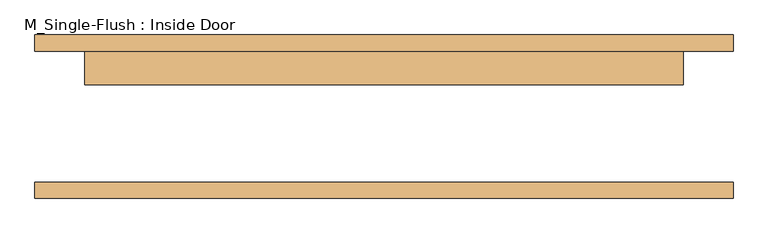
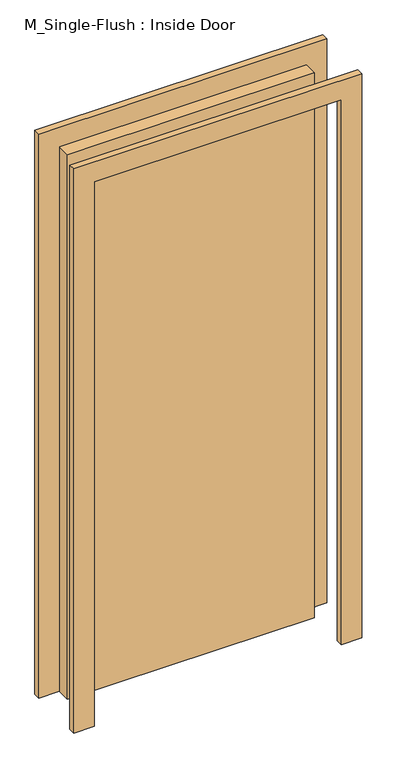
"""IFC4 building model written with IfcOpenShell, lengths in millimetres: door geometry, M_Single-Flush : Inside Door."""

from ifc_helpers import new_model, si_unit, frame, origin, origin_with_axes, place, context, project, spatial, polyline, outline, extrude, source, transform, mapped, element, save


def m_single_flush_inside_door_6a9e8738(model_context):
    return source(origin(), model_context, "Body", "SweptSolid", [
        extrude(outline(polyline([(2210.0, -533.5), (0.0, -533.5), (0.0, -457.5), (2134.0, -457.5), (2134.0, 457.5), (0.0, 457.5), (0.0, 533.5), (2210.0, 533.5), (2210.0, -533.5)])), frame((0.0, 100.0, 0.0), z_axis=(0.0, 1.0, 0.0), x_axis=(0.0, 0.0, 1.0)), (0.0, 0.0, 1.0), 25.0),
        extrude(outline(polyline([(2210.0, 533.5), (2210.0, -533.5), (0.0, -533.5), (0.0, -457.5), (2134.0, -457.5), (2134.0, 457.5), (0.0, 457.5), (0.0, 533.5), (2210.0, 533.5)])), frame((0.0, -125.0, 0.0), z_axis=(0.0, 1.0, 0.0), x_axis=(0.0, 0.0, 1.0)), (0.0, 0.0, 1.0), 25.0),
        extrude(outline(polyline([(457.5, 49.0), (-457.5, 49.0), (-457.5, 100.0), (457.5, 100.0), (457.5, 49.0)])), origin_with_axes(), (0.0, 0.0, 1.0), 2134.0),
    ])


if __name__ == "__main__":
    model = new_model("IFC4")
    model_context = context("Model", 3, world=origin())
    ifc_project = project(units=[si_unit("LENGTHUNIT", "METRE", prefix="MILLI")], contexts=[model_context])
    site = spatial("IfcSite", under=ifc_project)
    building = spatial("IfcBuilding", under=site)
    placement = place(None, origin())
    m_single_flush_inside_door_shape = m_single_flush_inside_door_6a9e8738(model_context)
    element("IfcDoor", 1, ObjectType="M_Single-Flush : Inside Door", at=placement, inside=building, context=model_context, shape_type="MappedRepresentation", body=[
        mapped(m_single_flush_inside_door_shape, transform((0.0, 0.0, 0.0), x_axis=(1.0, 0.0, 0.0), y_axis=(0.0, 1.0, 0.0), z_axis=(0.0, 0.0, 1.0))),
    ])
    save(model, "model.ifc")
